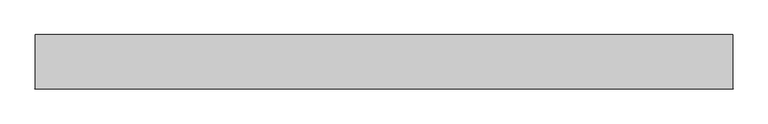
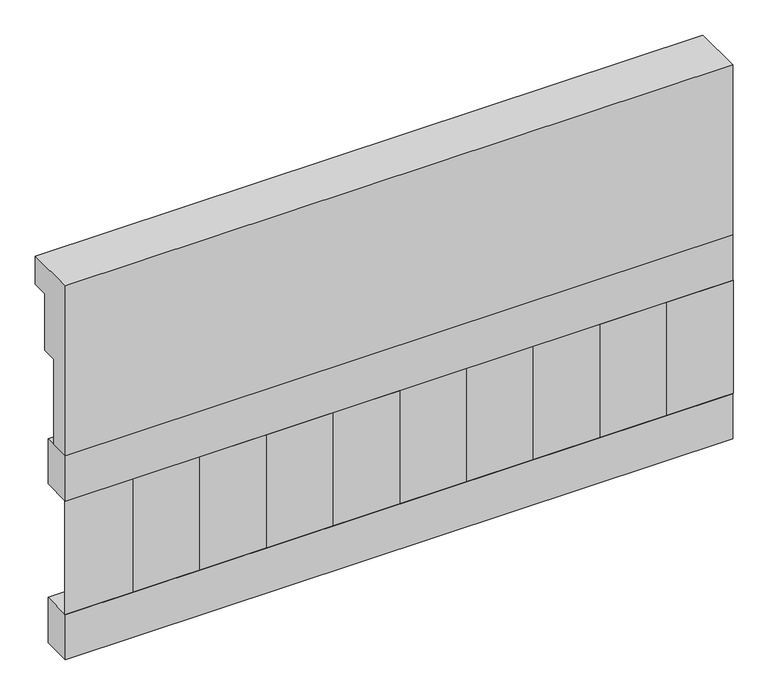
"""IFC4 building model written with IfcOpenShell, lengths in millimetres: railing geometry."""

from ifc_helpers import new_model, si_unit, frame, origin, place, context, project, spatial, polyline, outline, extrude, source, transform, mapped, element, save


def railing_efef9bc5(model_context):
    return source(origin(), model_context, "Body", "SweptSolid", [
        extrude(outline(polyline([(903.1079487, 28400.0), (1033.1079487, 28400.0), (1033.1079487, 28325.0), (993.1079487, 28325.0), (993.1079487, 28175.0), (953.1079487, 28175.0), (953.1079487, 27950.0), (903.1079487, 27950.0), (903.1079487, 28400.0)])), frame((-5539.9887159, 0.0, 0.0), z_axis=(1.0, 0.0, 0.0), x_axis=(0.0, 1.0, 0.0)), (0.0, 0.0, 1.0), 1670.0),
        extrude(outline(polyline([(-3869.9887159, 978.1079487), (-3869.9887159, 903.1079487), (-5539.9887159, 903.1079487), (-5539.9887159, 978.1079487), (-3869.9887159, 978.1079487)])), frame((0.0, 0.0, 27830.0), z_axis=(0.0, 0.0, 1.0), x_axis=(1.0, 0.0, 0.0)), (0.0, 0.0, 1.0), 120.0),
        extrude(outline(polyline([(-3869.9887159, 978.1079487), (-3869.9887159, 903.1079487), (-5539.9887159, 903.1079487), (-5539.9887159, 978.1079487), (-3869.9887159, 978.1079487)])), frame((0.0, 0.0, 27410.0), z_axis=(0.0, 0.0, 1.0), x_axis=(1.0, 0.0, 0.0)), (0.0, 0.0, 1.0), 120.0),
        extrude(outline(polyline([(-5456.4887159, 987.9607624), (-5371.6359022, 903.1079487), (-5541.3415296, 903.1079487), (-5456.4887159, 987.9607624)])), frame((0.0, 0.0, 27530.0), z_axis=(0.0, 0.0, 1.0), x_axis=(1.0, 0.0, 0.0)), (0.0, 0.0, 1.0), 300.0),
        extrude(outline(polyline([(-5289.4887159, 987.9607624), (-5204.6359022, 903.1079487), (-5374.3415296, 903.1079487), (-5289.4887159, 987.9607624)])), frame((0.0, 0.0, 27530.0), z_axis=(0.0, 0.0, 1.0), x_axis=(1.0, 0.0, 0.0)), (0.0, 0.0, 1.0), 300.0),
        extrude(outline(polyline([(-5122.4887159, 987.9607624), (-5037.6359022, 903.1079487), (-5207.3415296, 903.1079487), (-5122.4887159, 987.9607624)])), frame((0.0, 0.0, 27530.0), z_axis=(0.0, 0.0, 1.0), x_axis=(1.0, 0.0, 0.0)), (0.0, 0.0, 1.0), 300.0),
        extrude(outline(polyline([(-4955.4887159, 987.9607624), (-4870.6359022, 903.1079487), (-5040.3415296, 903.1079487), (-4955.4887159, 987.9607624)])), frame((0.0, 0.0, 27530.0), z_axis=(0.0, 0.0, 1.0), x_axis=(1.0, 0.0, 0.0)), (0.0, 0.0, 1.0), 300.0),
        extrude(outline(polyline([(-4788.4887159, 987.9607624), (-4703.6359022, 903.1079487), (-4873.3415296, 903.1079487), (-4788.4887159, 987.9607624)])), frame((0.0, 0.0, 27530.0), z_axis=(0.0, 0.0, 1.0), x_axis=(1.0, 0.0, 0.0)), (0.0, 0.0, 1.0), 300.0),
        extrude(outline(polyline([(-4621.4887159, 987.9607624), (-4536.6359022, 903.1079487), (-4706.3415296, 903.1079487), (-4621.4887159, 987.9607624)])), frame((0.0, 0.0, 27530.0), z_axis=(0.0, 0.0, 1.0), x_axis=(1.0, 0.0, 0.0)), (0.0, 0.0, 1.0), 300.0),
        extrude(outline(polyline([(-4454.4887159, 987.9607624), (-4369.6359022, 903.1079487), (-4539.3415296, 903.1079487), (-4454.4887159, 987.9607624)])), frame((0.0, 0.0, 27530.0), z_axis=(0.0, 0.0, 1.0), x_axis=(1.0, 0.0, 0.0)), (0.0, 0.0, 1.0), 300.0),
        extrude(outline(polyline([(-4287.4887159, 987.9607624), (-4202.6359022, 903.1079487), (-4372.3415296, 903.1079487), (-4287.4887159, 987.9607624)])), frame((0.0, 0.0, 27530.0), z_axis=(0.0, 0.0, 1.0), x_axis=(1.0, 0.0, 0.0)), (0.0, 0.0, 1.0), 300.0),
        extrude(outline(polyline([(-4120.4887159, 987.9607624), (-4035.6359022, 903.1079487), (-4205.3415296, 903.1079487), (-4120.4887159, 987.9607624)])), frame((0.0, 0.0, 27530.0), z_axis=(0.0, 0.0, 1.0), x_axis=(1.0, 0.0, 0.0)), (0.0, 0.0, 1.0), 300.0),
        extrude(outline(polyline([(-3953.4887159, 987.9607624), (-3868.6359022, 903.1079487), (-4038.3415296, 903.1079487), (-3953.4887159, 987.9607624)])), frame((0.0, 0.0, 27530.0), z_axis=(0.0, 0.0, 1.0), x_axis=(1.0, 0.0, 0.0)), (0.0, 0.0, 1.0), 300.0),
    ])


if __name__ == "__main__":
    model = new_model("IFC4")
    model_context = context("Model", 3, world=origin())
    ifc_project = project(units=[si_unit("LENGTHUNIT", "METRE", prefix="MILLI")], contexts=[model_context])
    site = spatial("IfcSite", under=ifc_project)
    building = spatial("IfcBuilding", under=site)
    placement = place(None, origin())
    railing_shape = railing_efef9bc5(model_context)
    element("IfcRailing", 1, at=placement, inside=building, context=model_context, shape_type="MappedRepresentation", body=[
        mapped(railing_shape, transform((0.0, 0.0, 0.0), x_axis=(1.0, 0.0, 0.0), y_axis=(0.0, 1.0, 0.0), z_axis=(0.0, 0.0, 1.0))),
    ])
    save(model, "model.ifc")
